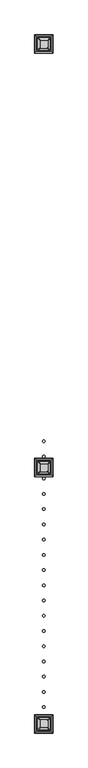
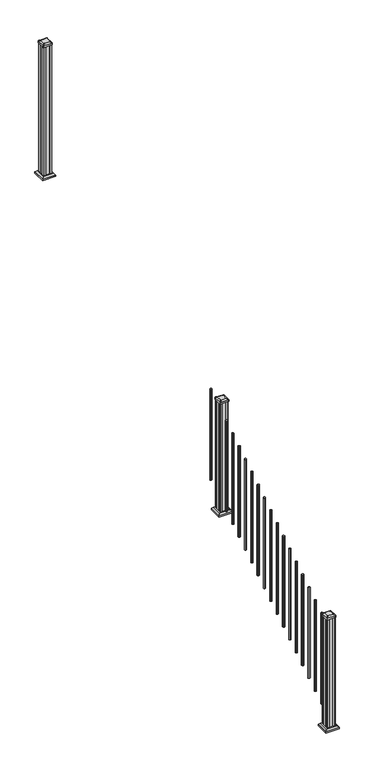
"""IFC4 building model written with IfcOpenShell, lengths in millimetres: railing geometry."""

from ifc_helpers import new_model, si_unit, point, frame, frame_2d, origin, place, context, project, spatial, polyline, circle_curve, trimmed, segment, composite_curve, outline, extrude, faceted_brep, source, transform, mapped, element, save
from ifc_brep_helpers import plane_surface, extruded_surface, advanced_brep


def railing_b5f708a4(model_context):
    return source(origin(), model_context, "Body", "SolidModel", [
        extrude(outline(composite_curve([segment(trimmed(circle_curve(frame_2d((8969.1942659, -14792.9319681)), 9.525), [point((8978.7192659, -14792.9319681))], [point((8969.1942659, -14802.4569681))], False, "CARTESIAN"), True, "CONTINUOUS"), segment(trimmed(circle_curve(frame_2d((8969.1942659, -14792.9319681)), 9.525), [point((8969.1942659, -14802.4569681))], [point((8959.6692659, -14792.9319681))], False, "CARTESIAN"), True, "CONTINUOUS"), segment(trimmed(circle_curve(frame_2d((8969.1942659, -14792.9319681)), 9.525), [point((8959.6692659, -14792.9319681))], [point((8969.1942659, -14783.4069681))], False, "CARTESIAN"), True, "CONTINUOUS"), segment(trimmed(circle_curve(frame_2d((8969.1942659, -14792.9319681)), 9.525), [point((8969.1942659, -14783.4069681))], [point((8978.7192659, -14792.9319681))], False, "CARTESIAN"), True, "CONTINUOUS")], self_intersect=False)), frame((0.0, 0.0, 1555.1505656), z_axis=(0.0, 0.0, 1.0), x_axis=(1.0, 0.0, 0.0)), (0.0, 0.0, 1.0), 965.2041219),
        extrude(outline(composite_curve([segment(trimmed(circle_curve(frame_2d((8969.1942659, -14904.0569681)), 9.525), [point((8978.7192659, -14904.0569681))], [point((8969.1942659, -14913.5819681))], False, "CARTESIAN"), True, "CONTINUOUS"), segment(trimmed(circle_curve(frame_2d((8969.1942659, -14904.0569681)), 9.525), [point((8969.1942659, -14913.5819681))], [point((8959.6692659, -14904.0569681))], False, "CARTESIAN"), True, "CONTINUOUS"), segment(trimmed(circle_curve(frame_2d((8969.1942659, -14904.0569681)), 9.525), [point((8959.6692659, -14904.0569681))], [point((8969.1942659, -14894.5319681))], False, "CARTESIAN"), True, "CONTINUOUS"), segment(trimmed(circle_curve(frame_2d((8969.1942659, -14904.0569681)), 9.525), [point((8969.1942659, -14894.5319681))], [point((8978.7192659, -14904.0569681))], False, "CARTESIAN"), True, "CONTINUOUS")], self_intersect=False)), frame((0.0, 0.0, 1485.6974406), z_axis=(0.0, 0.0, 1.0), x_axis=(1.0, 0.0, 0.0)), (0.0, 0.0, 1.0), 965.2041219),
        faceted_brep([(9021.7802034, -15037.6054056, 1362.075), (9021.7802034, -14932.4335306, 1362.075), (8916.6083284, -14932.4335306, 1362.075), (8916.6083284, -15037.6054056, 1362.075), (9035.8196565, -15051.6448587, 1348.74), (8902.5688753, -15051.6448587, 1348.74), (8902.5688753, -14918.3940775, 1348.74), (9035.8196565, -14918.3940775, 1348.74)], [[[0, 1, 2, 3]], [[4, 5, 6, 7]], [[4, 0, 3, 5]], [[5, 3, 2, 6]], [[6, 2, 1, 7]], [[7, 1, 0, 4]]]),
        extrude(outline(polyline([(9035.8196565, -15051.6448587), (8902.5688753, -15051.6448587), (8902.5688753, -14918.3940775), (9035.8196565, -14918.3940775), (9035.8196565, -15051.6448587)])), frame((0.0, 0.0, 1333.5), z_axis=(0.0, 0.0, 1.0), x_axis=(1.0, 0.0, 0.0)), (0.0, 0.0, 1.0), 15.24),
        advanced_brep(
        [(8943.3973909, -15013.9913431, 2545.839263), (8994.9911409, -15013.9913431, 2545.839263), (8998.1661409, -15010.8163431, 2545.839263), (8998.1661409, -14959.2225931, 2545.839263), (8994.9911409, -14956.0475931, 2545.839263), (8943.3973909, -14956.0475931, 2545.839263), (8940.2223909, -14959.2225931, 2545.839263), (8940.2223909, -15010.8163431, 2545.839263), (8927.1255159, -15030.2632181, 2534.536263), (8923.9505159, -15027.0882181, 2534.536263), (8923.9505159, -14942.9507181, 2534.536263), (8927.1255159, -14939.7757181, 2534.536263), (9011.2630159, -14939.7757181, 2534.536263), (9014.4380159, -14942.9507181, 2534.536263), (9014.4380159, -15027.0882181, 2534.536263), (9011.2630159, -15030.2632181, 2534.536263)],
        [
            (0, 1),
            (1, 2, circle_curve(frame((8994.9911409, -15010.8163431, 2545.839263), z_axis=(0.0, 0.0, 1.0), x_axis=(0.0, 1.0, 0.0)), 3.175)),
            (2, 3),
            (3, 4, circle_curve(frame((8994.9911409, -14959.2225931, 2545.839263), z_axis=(0.0, 0.0, 1.0), x_axis=(0.0, 1.0, 0.0)), 3.175)),
            (4, 5),
            (5, 6, circle_curve(frame((8943.3973909, -14959.2225931, 2545.839263), z_axis=(0.0, 0.0, 1.0), x_axis=(0.0, 1.0, 0.0)), 3.175)),
            (6, 7),
            (7, 0, circle_curve(frame((8943.3973909, -15010.8163431, 2545.839263), z_axis=(0.0, 0.0, 1.0), x_axis=(0.0, 1.0, 0.0)), 3.175)),
            (8, 9, circle_curve(frame((8927.1255159, -15027.0882181, 2534.536263), z_axis=(0.0, 0.0, -1.0), x_axis=(0.0, 1.0, 0.0)), 3.175)),
            (9, 10),
            (10, 11, circle_curve(frame((8927.1255159, -14942.9507181, 2534.536263), z_axis=(0.0, 0.0, -1.0), x_axis=(0.0, 1.0, 0.0)), 3.175)),
            (11, 12),
            (12, 13, circle_curve(frame((9011.2630159, -14942.9507181, 2534.536263), z_axis=(0.0, 0.0, -1.0), x_axis=(0.0, 1.0, 0.0)), 3.175)),
            (13, 14),
            (14, 15, circle_curve(frame((9011.2630159, -15027.0882181, 2534.536263), z_axis=(0.0, 0.0, -1.0), x_axis=(0.0, 1.0, 0.0)), 3.175)),
            (15, 8),
            (8, 0),
            (7, 9),
            (6, 10),
            (5, 11),
            (4, 12),
            (3, 13),
            (2, 14),
            (1, 15),
        ],
        [
            plane_surface(frame((8969.1942659, -14985.0194681, 2545.839263), z_axis=(0.0, 0.0, 1.0), x_axis=(-1.0, 0.0, 0.0))),
            plane_surface(frame((8969.1942659, -14985.0194681, 2534.536263), z_axis=(0.0, 0.0, -1.0), x_axis=(-1.0, 0.0, 0.0))),
            extruded_surface(trimmed(circle_curve(frame((8943.3973909, -15010.8163431, 2545.839263), z_axis=(0.0, 0.0, -1.0), x_axis=(0.0, 1.0, 0.0)), 3.175), [point((8943.3973909, -15013.9913431, 2545.839263))], [point((8940.2223909, -15010.8163431, 2545.839263))], True, "CARTESIAN"), (-16.271875000000364, -16.271875000000364, -11.302999999999884), 25.63797263886657),
            plane_surface(frame((8923.9505159, -14985.0194681, 2534.536263), z_axis=(-0.5705009161540778, 0.0, 0.8212969649690408), x_axis=(0.0, 1.0, 0.0))),
            extruded_surface(trimmed(circle_curve(frame((8943.3973909, -14959.2225931, 2545.839263), z_axis=(0.0, 0.0, -1.0), x_axis=(0.0, 1.0, 0.0)), 3.175), [point((8940.2223909, -14959.2225931, 2545.839263))], [point((8943.3973909, -14956.0475931, 2545.839263))], True, "CARTESIAN"), (-16.271875000000364, 16.271874999998545, -11.302999999999884), 25.63797263886542),
            plane_surface(frame((8969.1942659, -14939.7757181, 2534.536263), z_axis=(0.0, 0.5705009161540291, 0.8212969649690747), x_axis=(1.0, 0.0, 0.0))),
            extruded_surface(trimmed(circle_curve(frame((8994.9911409, -14959.2225931, 2545.839263), z_axis=(0.0, 0.0, -1.0), x_axis=(0.0, 1.0, 0.0)), 3.175), [point((8994.9911409, -14956.0475931, 2545.839263))], [point((8998.1661409, -14959.2225931, 2545.839263))], True, "CARTESIAN"), (16.271875000000364, 16.271874999998545, -11.302999999999884), 25.63797263886542),
            plane_surface(frame((9014.4380159, -14985.0194681, 2534.536263), z_axis=(0.5705009161540142, 0.0, 0.8212969649690851), x_axis=(0.0, -1.0, 0.0))),
            extruded_surface(trimmed(circle_curve(frame((8994.9911409, -15010.8163431, 2545.839263), z_axis=(0.0, 0.0, -1.0), x_axis=(0.0, 1.0, 0.0)), 3.175), [point((8998.1661409, -15010.8163431, 2545.839263))], [point((8994.9911409, -15013.9913431, 2545.839263))], True, "CARTESIAN"), (16.271875000000364, -16.271875000000364, -11.302999999999884), 25.63797263886657),
            plane_surface(frame((8969.1942659, -15030.2632181, 2534.536263), z_axis=(0.0, -0.570500916154034, 0.8212969649690713), x_axis=(-1.0, 0.0, 0.0))),
        ],
        [
            (0, [[1, 2, 3, 4, 5, 6, 7, 8]]),
            (1, [[9, 10, 11, 12, 13, 14, 15, 16]]),
            (2, [[17, -8, 18, -9]]),
            (3, [[-18, -7, 19, -10]]),
            (4, [[-19, -6, 20, -11]]),
            (5, [[-20, -5, 21, -12]]),
            (6, [[-21, -4, 22, -13]]),
            (7, [[-22, -3, 23, -14]]),
            (8, [[-23, -2, 24, -15]]),
            (9, [[-24, -1, -17, -16]]),
        ],
    ),
        extrude(outline(composite_curve([segment(trimmed(circle_curve(frame_2d((8927.1255159, -15027.0882181)), 3.175), [point((8927.1255159, -15030.2632181))], [point((8923.9505159, -15027.0882181))], False, "CARTESIAN"), True, "CONTINUOUS"), segment(polyline([(8923.9505159, -15027.0882181), (8923.9505159, -14942.9507181)]), True, "CONTINUOUS"), segment(trimmed(circle_curve(frame_2d((8927.1255159, -14942.9507181)), 3.175), [point((8923.9505159, -14942.9507181))], [point((8927.1255159, -14939.7757181))], False, "CARTESIAN"), True, "CONTINUOUS"), segment(polyline([(8927.1255159, -14939.7757181), (9011.2630159, -14939.7757181)]), True, "CONTINUOUS"), segment(trimmed(circle_curve(frame_2d((9011.2630159, -14942.9507181)), 3.175), [point((9011.2630159, -14939.7757181))], [point((9014.4380159, -14942.9507181))], False, "CARTESIAN"), True, "CONTINUOUS"), segment(polyline([(9014.4380159, -14942.9507181), (9014.4380159, -15027.0882181)]), True, "CONTINUOUS"), segment(trimmed(circle_curve(frame_2d((9011.2630159, -15027.0882181)), 3.175), [point((9014.4380159, -15027.0882181))], [point((9011.2630159, -15030.2632181))], False, "CARTESIAN"), True, "CONTINUOUS"), segment(polyline([(9011.2630159, -15030.2632181), (8927.1255159, -15030.2632181)]), True, "CONTINUOUS")], self_intersect=False)), frame((0.0, 0.0, 2517.264263), z_axis=(0.0, 0.0, 1.0), x_axis=(1.0, 0.0, 0.0)), (0.0, 0.0, 1.0), 17.272),
        extrude(outline(polyline([(8929.5067659, -15026.2944681), (8927.9192659, -15024.7069681), (8927.9192659, -15005.0854681), (8929.5067659, -15004.3234681), (8929.5067659, -14965.7154681), (8927.9192659, -14964.9534681), (8927.9192659, -14945.3319681), (8929.5067659, -14943.7444681), (8949.1282659, -14943.7444681), (8949.8902659, -14945.3319681), (8988.4982659, -14945.3319681), (8989.2602659, -14943.7444681), (9008.8817659, -14943.7444681), (9010.4692659, -14945.3319681), (9010.4692659, -14964.9534681), (9008.8817659, -14965.7154681), (9008.8817659, -15004.3234681), (9010.4692659, -15005.0854681), (9010.4692659, -15024.7069681), (9008.8817659, -15026.2944681), (8989.2602659, -15026.2944681), (8988.4982659, -15024.7069681), (8949.8902659, -15024.7069681), (8949.1282659, -15026.2944681), (8929.5067659, -15026.2944681)])), frame((0.0, 0.0, 1333.5), z_axis=(0.0, 0.0, 1.0), x_axis=(1.0, 0.0, 0.0)), (0.0, 0.0, 1.0), 1183.764263),
        extrude(outline(composite_curve([segment(trimmed(circle_curve(frame_2d((8969.1942659, -15065.9819681)), 9.525), [point((8978.7192659, -15065.9819681))], [point((8969.1942659, -15075.5069681))], False, "CARTESIAN"), True, "CONTINUOUS"), segment(trimmed(circle_curve(frame_2d((8969.1942659, -15065.9819681)), 9.525), [point((8969.1942659, -15075.5069681))], [point((8959.6692659, -15065.9819681))], False, "CARTESIAN"), True, "CONTINUOUS"), segment(trimmed(circle_curve(frame_2d((8969.1942659, -15065.9819681)), 9.525), [point((8959.6692659, -15065.9819681))], [point((8969.1942659, -15056.4569681))], False, "CARTESIAN"), True, "CONTINUOUS"), segment(trimmed(circle_curve(frame_2d((8969.1942659, -15065.9819681)), 9.525), [point((8969.1942659, -15056.4569681))], [point((8978.7192659, -15065.9819681))], False, "CARTESIAN"), True, "CONTINUOUS")], self_intersect=False)), frame((0.0, 0.0, 1384.4943156), z_axis=(0.0, 0.0, 1.0), x_axis=(1.0, 0.0, 0.0)), (0.0, 0.0, 1.0), 965.2041219),
        extrude(outline(composite_curve([segment(trimmed(circle_curve(frame_2d((8969.1942659, -15177.1069681)), 9.525), [point((8978.7192659, -15177.1069681))], [point((8969.1942659, -15186.6319681))], False, "CARTESIAN"), True, "CONTINUOUS"), segment(trimmed(circle_curve(frame_2d((8969.1942659, -15177.1069681)), 9.525), [point((8969.1942659, -15186.6319681))], [point((8959.6692659, -15177.1069681))], False, "CARTESIAN"), True, "CONTINUOUS"), segment(trimmed(circle_curve(frame_2d((8969.1942659, -15177.1069681)), 9.525), [point((8959.6692659, -15177.1069681))], [point((8969.1942659, -15167.5819681))], False, "CARTESIAN"), True, "CONTINUOUS"), segment(trimmed(circle_curve(frame_2d((8969.1942659, -15177.1069681)), 9.525), [point((8969.1942659, -15167.5819681))], [point((8978.7192659, -15177.1069681))], False, "CARTESIAN"), True, "CONTINUOUS")], self_intersect=False)), frame((0.0, 0.0, 1315.0411906), z_axis=(0.0, 0.0, 1.0), x_axis=(1.0, 0.0, 0.0)), (0.0, 0.0, 1.0), 965.2041219),
        extrude(outline(composite_curve([segment(trimmed(circle_curve(frame_2d((8969.1942659, -15288.2319681)), 9.525), [point((8978.7192659, -15288.2319681))], [point((8969.1942659, -15297.7569681))], False, "CARTESIAN"), True, "CONTINUOUS"), segment(trimmed(circle_curve(frame_2d((8969.1942659, -15288.2319681)), 9.525), [point((8969.1942659, -15297.7569681))], [point((8959.6692659, -15288.2319681))], False, "CARTESIAN"), True, "CONTINUOUS"), segment(trimmed(circle_curve(frame_2d((8969.1942659, -15288.2319681)), 9.525), [point((8959.6692659, -15288.2319681))], [point((8969.1942659, -15278.7069681))], False, "CARTESIAN"), True, "CONTINUOUS"), segment(trimmed(circle_curve(frame_2d((8969.1942659, -15288.2319681)), 9.525), [point((8969.1942659, -15278.7069681))], [point((8978.7192659, -15288.2319681))], False, "CARTESIAN"), True, "CONTINUOUS")], self_intersect=False)), frame((0.0, 0.0, 1245.5880656), z_axis=(0.0, 0.0, 1.0), x_axis=(1.0, 0.0, 0.0)), (0.0, 0.0, 1.0), 965.2041219),
        extrude(outline(composite_curve([segment(trimmed(circle_curve(frame_2d((8969.1942659, -15399.3569681)), 9.525), [point((8978.7192659, -15399.3569681))], [point((8969.1942659, -15408.8819681))], False, "CARTESIAN"), True, "CONTINUOUS"), segment(trimmed(circle_curve(frame_2d((8969.1942659, -15399.3569681)), 9.525), [point((8969.1942659, -15408.8819681))], [point((8959.6692659, -15399.3569681))], False, "CARTESIAN"), True, "CONTINUOUS"), segment(trimmed(circle_curve(frame_2d((8969.1942659, -15399.3569681)), 9.525), [point((8959.6692659, -15399.3569681))], [point((8969.1942659, -15389.8319681))], False, "CARTESIAN"), True, "CONTINUOUS"), segment(trimmed(circle_curve(frame_2d((8969.1942659, -15399.3569681)), 9.525), [point((8969.1942659, -15389.8319681))], [point((8978.7192659, -15399.3569681))], False, "CARTESIAN"), True, "CONTINUOUS")], self_intersect=False)), frame((0.0, 0.0, 1176.1349406), z_axis=(0.0, 0.0, 1.0), x_axis=(1.0, 0.0, 0.0)), (0.0, 0.0, 1.0), 965.2041219),
        extrude(outline(composite_curve([segment(trimmed(circle_curve(frame_2d((8969.1942659, -15510.4819681)), 9.525), [point((8978.7192659, -15510.4819681))], [point((8969.1942659, -15520.0069681))], False, "CARTESIAN"), True, "CONTINUOUS"), segment(trimmed(circle_curve(frame_2d((8969.1942659, -15510.4819681)), 9.525), [point((8969.1942659, -15520.0069681))], [point((8959.6692659, -15510.4819681))], False, "CARTESIAN"), True, "CONTINUOUS"), segment(trimmed(circle_curve(frame_2d((8969.1942659, -15510.4819681)), 9.525), [point((8959.6692659, -15510.4819681))], [point((8969.1942659, -15500.9569681))], False, "CARTESIAN"), True, "CONTINUOUS"), segment(trimmed(circle_curve(frame_2d((8969.1942659, -15510.4819681)), 9.525), [point((8969.1942659, -15500.9569681))], [point((8978.7192659, -15510.4819681))], False, "CARTESIAN"), True, "CONTINUOUS")], self_intersect=False)), frame((0.0, 0.0, 1106.6818156), z_axis=(0.0, 0.0, 1.0), x_axis=(1.0, 0.0, 0.0)), (0.0, 0.0, 1.0), 965.2041219),
        extrude(outline(composite_curve([segment(trimmed(circle_curve(frame_2d((8969.1942659, -15621.6069681)), 9.525), [point((8978.7192659, -15621.6069681))], [point((8969.1942659, -15631.1319681))], False, "CARTESIAN"), True, "CONTINUOUS"), segment(trimmed(circle_curve(frame_2d((8969.1942659, -15621.6069681)), 9.525), [point((8969.1942659, -15631.1319681))], [point((8959.6692659, -15621.6069681))], False, "CARTESIAN"), True, "CONTINUOUS"), segment(trimmed(circle_curve(frame_2d((8969.1942659, -15621.6069681)), 9.525), [point((8959.6692659, -15621.6069681))], [point((8969.1942659, -15612.0819681))], False, "CARTESIAN"), True, "CONTINUOUS"), segment(trimmed(circle_curve(frame_2d((8969.1942659, -15621.6069681)), 9.525), [point((8969.1942659, -15612.0819681))], [point((8978.7192659, -15621.6069681))], False, "CARTESIAN"), True, "CONTINUOUS")], self_intersect=False)), frame((0.0, 0.0, 1037.2286906), z_axis=(0.0, 0.0, 1.0), x_axis=(1.0, 0.0, 0.0)), (0.0, 0.0, 1.0), 965.2041219),
        extrude(outline(composite_curve([segment(trimmed(circle_curve(frame_2d((8969.1942659, -15732.7319681)), 9.525), [point((8978.7192659, -15732.7319681))], [point((8969.1942659, -15742.2569681))], False, "CARTESIAN"), True, "CONTINUOUS"), segment(trimmed(circle_curve(frame_2d((8969.1942659, -15732.7319681)), 9.525), [point((8969.1942659, -15742.2569681))], [point((8959.6692659, -15732.7319681))], False, "CARTESIAN"), True, "CONTINUOUS"), segment(trimmed(circle_curve(frame_2d((8969.1942659, -15732.7319681)), 9.525), [point((8959.6692659, -15732.7319681))], [point((8969.1942659, -15723.2069681))], False, "CARTESIAN"), True, "CONTINUOUS"), segment(trimmed(circle_curve(frame_2d((8969.1942659, -15732.7319681)), 9.525), [point((8969.1942659, -15723.2069681))], [point((8978.7192659, -15732.7319681))], False, "CARTESIAN"), True, "CONTINUOUS")], self_intersect=False)), frame((0.0, 0.0, 967.7755656), z_axis=(0.0, 0.0, 1.0), x_axis=(1.0, 0.0, 0.0)), (0.0, 0.0, 1.0), 965.2041219),
        extrude(outline(composite_curve([segment(trimmed(circle_curve(frame_2d((8969.1942659, -15843.8569681)), 9.525), [point((8978.7192659, -15843.8569681))], [point((8969.1942659, -15853.3819681))], False, "CARTESIAN"), True, "CONTINUOUS"), segment(trimmed(circle_curve(frame_2d((8969.1942659, -15843.8569681)), 9.525), [point((8969.1942659, -15853.3819681))], [point((8959.6692659, -15843.8569681))], False, "CARTESIAN"), True, "CONTINUOUS"), segment(trimmed(circle_curve(frame_2d((8969.1942659, -15843.8569681)), 9.525), [point((8959.6692659, -15843.8569681))], [point((8969.1942659, -15834.3319681))], False, "CARTESIAN"), True, "CONTINUOUS"), segment(trimmed(circle_curve(frame_2d((8969.1942659, -15843.8569681)), 9.525), [point((8969.1942659, -15834.3319681))], [point((8978.7192659, -15843.8569681))], False, "CARTESIAN"), True, "CONTINUOUS")], self_intersect=False)), frame((0.0, 0.0, 898.3224406), z_axis=(0.0, 0.0, 1.0), x_axis=(1.0, 0.0, 0.0)), (0.0, 0.0, 1.0), 965.2041219),
        extrude(outline(composite_curve([segment(trimmed(circle_curve(frame_2d((8969.1942659, -15954.9819681)), 9.525), [point((8978.7192659, -15954.9819681))], [point((8969.1942659, -15964.5069681))], False, "CARTESIAN"), True, "CONTINUOUS"), segment(trimmed(circle_curve(frame_2d((8969.1942659, -15954.9819681)), 9.525), [point((8969.1942659, -15964.5069681))], [point((8959.6692659, -15954.9819681))], False, "CARTESIAN"), True, "CONTINUOUS"), segment(trimmed(circle_curve(frame_2d((8969.1942659, -15954.9819681)), 9.525), [point((8959.6692659, -15954.9819681))], [point((8969.1942659, -15945.4569681))], False, "CARTESIAN"), True, "CONTINUOUS"), segment(trimmed(circle_curve(frame_2d((8969.1942659, -15954.9819681)), 9.525), [point((8969.1942659, -15945.4569681))], [point((8978.7192659, -15954.9819681))], False, "CARTESIAN"), True, "CONTINUOUS")], self_intersect=False)), frame((0.0, 0.0, 828.8693156), z_axis=(0.0, 0.0, 1.0), x_axis=(1.0, 0.0, 0.0)), (0.0, 0.0, 1.0), 965.2041219),
        extrude(outline(composite_curve([segment(trimmed(circle_curve(frame_2d((8969.1942659, -16066.1069681)), 9.525), [point((8978.7192659, -16066.1069681))], [point((8969.1942659, -16075.6319681))], False, "CARTESIAN"), True, "CONTINUOUS"), segment(trimmed(circle_curve(frame_2d((8969.1942659, -16066.1069681)), 9.525), [point((8969.1942659, -16075.6319681))], [point((8959.6692659, -16066.1069681))], False, "CARTESIAN"), True, "CONTINUOUS"), segment(trimmed(circle_curve(frame_2d((8969.1942659, -16066.1069681)), 9.525), [point((8959.6692659, -16066.1069681))], [point((8969.1942659, -16056.5819681))], False, "CARTESIAN"), True, "CONTINUOUS"), segment(trimmed(circle_curve(frame_2d((8969.1942659, -16066.1069681)), 9.525), [point((8969.1942659, -16056.5819681))], [point((8978.7192659, -16066.1069681))], False, "CARTESIAN"), True, "CONTINUOUS")], self_intersect=False)), frame((0.0, 0.0, 759.4161906), z_axis=(0.0, 0.0, 1.0), x_axis=(1.0, 0.0, 0.0)), (0.0, 0.0, 1.0), 965.2041219),
        extrude(outline(composite_curve([segment(trimmed(circle_curve(frame_2d((8969.1942659, -16177.2319681)), 9.525), [point((8978.7192659, -16177.2319681))], [point((8969.1942659, -16186.7569681))], False, "CARTESIAN"), True, "CONTINUOUS"), segment(trimmed(circle_curve(frame_2d((8969.1942659, -16177.2319681)), 9.525), [point((8969.1942659, -16186.7569681))], [point((8959.6692659, -16177.2319681))], False, "CARTESIAN"), True, "CONTINUOUS"), segment(trimmed(circle_curve(frame_2d((8969.1942659, -16177.2319681)), 9.525), [point((8959.6692659, -16177.2319681))], [point((8969.1942659, -16167.7069681))], False, "CARTESIAN"), True, "CONTINUOUS"), segment(trimmed(circle_curve(frame_2d((8969.1942659, -16177.2319681)), 9.525), [point((8969.1942659, -16167.7069681))], [point((8978.7192659, -16177.2319681))], False, "CARTESIAN"), True, "CONTINUOUS")], self_intersect=False)), frame((0.0, 0.0, 689.9630656), z_axis=(0.0, 0.0, 1.0), x_axis=(1.0, 0.0, 0.0)), (0.0, 0.0, 1.0), 965.2041219),
        extrude(outline(composite_curve([segment(trimmed(circle_curve(frame_2d((8969.1942659, -16288.3569681)), 9.525), [point((8978.7192659, -16288.3569681))], [point((8969.1942659, -16297.8819681))], False, "CARTESIAN"), True, "CONTINUOUS"), segment(trimmed(circle_curve(frame_2d((8969.1942659, -16288.3569681)), 9.525), [point((8969.1942659, -16297.8819681))], [point((8959.6692659, -16288.3569681))], False, "CARTESIAN"), True, "CONTINUOUS"), segment(trimmed(circle_curve(frame_2d((8969.1942659, -16288.3569681)), 9.525), [point((8959.6692659, -16288.3569681))], [point((8969.1942659, -16278.8319681))], False, "CARTESIAN"), True, "CONTINUOUS"), segment(trimmed(circle_curve(frame_2d((8969.1942659, -16288.3569681)), 9.525), [point((8969.1942659, -16278.8319681))], [point((8978.7192659, -16288.3569681))], False, "CARTESIAN"), True, "CONTINUOUS")], self_intersect=False)), frame((0.0, 0.0, 620.5099406), z_axis=(0.0, 0.0, 1.0), x_axis=(1.0, 0.0, 0.0)), (0.0, 0.0, 1.0), 965.2041219),
        extrude(outline(composite_curve([segment(trimmed(circle_curve(frame_2d((8969.1942659, -16399.4819681)), 9.525), [point((8978.7192659, -16399.4819681))], [point((8969.1942659, -16409.0069681))], False, "CARTESIAN"), True, "CONTINUOUS"), segment(trimmed(circle_curve(frame_2d((8969.1942659, -16399.4819681)), 9.525), [point((8969.1942659, -16409.0069681))], [point((8959.6692659, -16399.4819681))], False, "CARTESIAN"), True, "CONTINUOUS"), segment(trimmed(circle_curve(frame_2d((8969.1942659, -16399.4819681)), 9.525), [point((8959.6692659, -16399.4819681))], [point((8969.1942659, -16389.9569681))], False, "CARTESIAN"), True, "CONTINUOUS"), segment(trimmed(circle_curve(frame_2d((8969.1942659, -16399.4819681)), 9.525), [point((8969.1942659, -16389.9569681))], [point((8978.7192659, -16399.4819681))], False, "CARTESIAN"), True, "CONTINUOUS")], self_intersect=False)), frame((0.0, 0.0, 551.0568156), z_axis=(0.0, 0.0, 1.0), x_axis=(1.0, 0.0, 0.0)), (0.0, 0.0, 1.0), 965.2041219),
        extrude(outline(composite_curve([segment(trimmed(circle_curve(frame_2d((8969.1942659, -16510.6069681)), 9.525), [point((8978.7192659, -16510.6069681))], [point((8969.1942659, -16520.1319681))], False, "CARTESIAN"), True, "CONTINUOUS"), segment(trimmed(circle_curve(frame_2d((8969.1942659, -16510.6069681)), 9.525), [point((8969.1942659, -16520.1319681))], [point((8959.6692659, -16510.6069681))], False, "CARTESIAN"), True, "CONTINUOUS"), segment(trimmed(circle_curve(frame_2d((8969.1942659, -16510.6069681)), 9.525), [point((8959.6692659, -16510.6069681))], [point((8969.1942659, -16501.0819681))], False, "CARTESIAN"), True, "CONTINUOUS"), segment(trimmed(circle_curve(frame_2d((8969.1942659, -16510.6069681)), 9.525), [point((8969.1942659, -16501.0819681))], [point((8978.7192659, -16510.6069681))], False, "CARTESIAN"), True, "CONTINUOUS")], self_intersect=False)), frame((0.0, 0.0, 481.6036906), z_axis=(0.0, 0.0, 1.0), x_axis=(1.0, 0.0, 0.0)), (0.0, 0.0, 1.0), 965.2041219),
        extrude(outline(composite_curve([segment(trimmed(circle_curve(frame_2d((8969.1942659, -16621.7319681)), 9.525), [point((8978.7192659, -16621.7319681))], [point((8969.1942659, -16631.2569681))], False, "CARTESIAN"), True, "CONTINUOUS"), segment(trimmed(circle_curve(frame_2d((8969.1942659, -16621.7319681)), 9.525), [point((8969.1942659, -16631.2569681))], [point((8959.6692659, -16621.7319681))], False, "CARTESIAN"), True, "CONTINUOUS"), segment(trimmed(circle_curve(frame_2d((8969.1942659, -16621.7319681)), 9.525), [point((8959.6692659, -16621.7319681))], [point((8969.1942659, -16612.2069681))], False, "CARTESIAN"), True, "CONTINUOUS"), segment(trimmed(circle_curve(frame_2d((8969.1942659, -16621.7319681)), 9.525), [point((8969.1942659, -16612.2069681))], [point((8978.7192659, -16621.7319681))], False, "CARTESIAN"), True, "CONTINUOUS")], self_intersect=False)), frame((0.0, 0.0, 412.1505656), z_axis=(0.0, 0.0, 1.0), x_axis=(1.0, 0.0, 0.0)), (0.0, 0.0, 1.0), 965.2041219),
        extrude(outline(composite_curve([segment(trimmed(circle_curve(frame_2d((8969.1942659, -16732.8569681)), 9.525), [point((8978.7192659, -16732.8569681))], [point((8969.1942659, -16742.3819681))], False, "CARTESIAN"), True, "CONTINUOUS"), segment(trimmed(circle_curve(frame_2d((8969.1942659, -16732.8569681)), 9.525), [point((8969.1942659, -16742.3819681))], [point((8959.6692659, -16732.8569681))], False, "CARTESIAN"), True, "CONTINUOUS"), segment(trimmed(circle_curve(frame_2d((8969.1942659, -16732.8569681)), 9.525), [point((8959.6692659, -16732.8569681))], [point((8969.1942659, -16723.3319681))], False, "CARTESIAN"), True, "CONTINUOUS"), segment(trimmed(circle_curve(frame_2d((8969.1942659, -16732.8569681)), 9.525), [point((8969.1942659, -16723.3319681))], [point((8978.7192659, -16732.8569681))], False, "CARTESIAN"), True, "CONTINUOUS")], self_intersect=False)), frame((0.0, 0.0, 342.6974406), z_axis=(0.0, 0.0, 1.0), x_axis=(1.0, 0.0, 0.0)), (0.0, 0.0, 1.0), 965.2041219),
        extrude(outline(polyline([(8929.5067659, -11937.0194681), (8927.9192659, -11935.4319681), (8927.9192659, -11915.8104681), (8929.5067659, -11915.0484681), (8929.5067659, -11876.4404681), (8927.9192659, -11875.6784681), (8927.9192659, -11856.0569681), (8929.5067659, -11854.4694681), (8949.1282659, -11854.4694681), (8949.8902659, -11856.0569681), (8988.4982659, -11856.0569681), (8989.2602659, -11854.4694681), (9008.8817659, -11854.4694681), (9010.4692659, -11856.0569681), (9010.4692659, -11875.6784681), (9008.8817659, -11876.4404681), (9008.8817659, -11915.0484681), (9010.4692659, -11915.8104681), (9010.4692659, -11935.4319681), (9008.8817659, -11937.0194681), (8989.2602659, -11937.0194681), (8988.4982659, -11935.4319681), (8949.8902659, -11935.4319681), (8949.1282659, -11937.0194681), (8929.5067659, -11937.0194681)])), frame((0.0, 0.0, 3048.0), z_axis=(0.0, 0.0, 1.0), x_axis=(1.0, 0.0, 0.0)), (0.0, 0.0, 1.0), 1400.061138),
        faceted_brep([(9021.7802034, -11948.3304056, 3076.575), (9021.7802034, -11843.1585306, 3076.575), (8916.6083284, -11843.1585306, 3076.575), (8916.6083284, -11948.3304056, 3076.575), (9035.8196565, -11962.3698587, 3063.24), (8902.5688753, -11962.3698587, 3063.24), (8902.5688753, -11829.1190775, 3063.24), (9035.8196565, -11829.1190775, 3063.24)], [[[0, 1, 2, 3]], [[4, 5, 6, 7]], [[4, 0, 3, 5]], [[5, 3, 2, 6]], [[6, 2, 1, 7]], [[7, 1, 0, 4]]]),
        extrude(outline(polyline([(9035.8196565, -11962.3698587), (8902.5688753, -11962.3698587), (8902.5688753, -11829.1190775), (9035.8196565, -11829.1190775), (9035.8196565, -11962.3698587)])), frame((0.0, 0.0, 3048.0), z_axis=(0.0, 0.0, 1.0), x_axis=(1.0, 0.0, 0.0)), (0.0, 0.0, 1.0), 15.24),
        advanced_brep(
        [(8943.3973909, -11924.7163431, 4476.636138), (8994.9911409, -11924.7163431, 4476.636138), (8998.1661409, -11921.5413431, 4476.636138), (8998.1661409, -11869.9475931, 4476.636138), (8994.9911409, -11866.7725931, 4476.636138), (8943.3973909, -11866.7725931, 4476.636138), (8940.2223909, -11869.9475931, 4476.636138), (8940.2223909, -11921.5413431, 4476.636138), (8927.1255159, -11940.9882181, 4465.333138), (8923.9505159, -11937.8132181, 4465.333138), (8923.9505159, -11853.6757181, 4465.333138), (8927.1255159, -11850.5007181, 4465.333138), (9011.2630159, -11850.5007181, 4465.333138), (9014.4380159, -11853.6757181, 4465.333138), (9014.4380159, -11937.8132181, 4465.333138), (9011.2630159, -11940.9882181, 4465.333138)],
        [
            (0, 1),
            (1, 2, circle_curve(frame((8994.9911409, -11921.5413431, 4476.636138), z_axis=(0.0, 0.0, 1.0), x_axis=(0.0, 1.0, 0.0)), 3.175)),
            (2, 3),
            (3, 4, circle_curve(frame((8994.9911409, -11869.9475931, 4476.636138), z_axis=(0.0, 0.0, 1.0), x_axis=(0.0, 1.0, 0.0)), 3.175)),
            (4, 5),
            (5, 6, circle_curve(frame((8943.3973909, -11869.9475931, 4476.636138), z_axis=(0.0, 0.0, 1.0), x_axis=(0.0, 1.0, 0.0)), 3.175)),
            (6, 7),
            (7, 0, circle_curve(frame((8943.3973909, -11921.5413431, 4476.636138), z_axis=(0.0, 0.0, 1.0), x_axis=(0.0, 1.0, 0.0)), 3.175)),
            (8, 9, circle_curve(frame((8927.1255159, -11937.8132181, 4465.333138), z_axis=(0.0, 0.0, -1.0), x_axis=(0.0, 1.0, 0.0)), 3.175)),
            (9, 10),
            (10, 11, circle_curve(frame((8927.1255159, -11853.6757181, 4465.333138), z_axis=(0.0, 0.0, -1.0), x_axis=(0.0, 1.0, 0.0)), 3.175)),
            (11, 12),
            (12, 13, circle_curve(frame((9011.2630159, -11853.6757181, 4465.333138), z_axis=(0.0, 0.0, -1.0), x_axis=(0.0, 1.0, 0.0)), 3.175)),
            (13, 14),
            (14, 15, circle_curve(frame((9011.2630159, -11937.8132181, 4465.333138), z_axis=(0.0, 0.0, -1.0), x_axis=(0.0, 1.0, 0.0)), 3.175)),
            (15, 8),
            (8, 0),
            (7, 9),
            (6, 10),
            (5, 11),
            (4, 12),
            (3, 13),
            (2, 14),
            (1, 15),
        ],
        [
            plane_surface(frame((8969.1942659, -11895.7444681, 4476.636138), z_axis=(0.0, 0.0, 1.0), x_axis=(-1.0, 0.0, 0.0))),
            plane_surface(frame((8969.1942659, -11895.7444681, 4465.333138), z_axis=(0.0, 0.0, -1.0), x_axis=(-1.0, 0.0, 0.0))),
            extruded_surface(trimmed(circle_curve(frame((8943.3973909, -11921.5413431, 4476.636138), z_axis=(0.0, 0.0, -1.0), x_axis=(0.0, 1.0, 0.0)), 3.175), [point((8943.3973909, -11924.7163431, 4476.636138))], [point((8940.2223909, -11921.5413431, 4476.636138))], True, "CARTESIAN"), (-16.271875000000364, -16.271875000000364, -11.302999999999884), 25.63797263886657),
            plane_surface(frame((8923.9505159, -11895.7444681, 4465.333138), z_axis=(-0.5705009161540685, 0.0, 0.8212969649690474), x_axis=(0.0, 1.0, 0.0))),
            extruded_surface(trimmed(circle_curve(frame((8943.3973909, -11869.9475931, 4476.636138), z_axis=(0.0, 0.0, -1.0), x_axis=(0.0, 1.0, 0.0)), 3.175), [point((8940.2223909, -11869.9475931, 4476.636138))], [point((8943.3973909, -11866.7725931, 4476.636138))], True, "CARTESIAN"), (-16.271875000000364, 16.271875000000364, -11.302999999999884), 25.63797263886657),
            plane_surface(frame((8969.1942659, -11850.5007181, 4465.333138), z_axis=(0.0, 0.5705009161540291, 0.8212969649690747), x_axis=(1.0, 0.0, 0.0))),
            extruded_surface(trimmed(circle_curve(frame((8994.9911409, -11869.9475931, 4476.636138), z_axis=(0.0, 0.0, -1.0), x_axis=(0.0, 1.0, 0.0)), 3.175), [point((8994.9911409, -11866.7725931, 4476.636138))], [point((8998.1661409, -11869.9475931, 4476.636138))], True, "CARTESIAN"), (16.271875000000364, 16.271875000000364, -11.302999999999884), 25.63797263886657),
            plane_surface(frame((9014.4380159, -11895.7444681, 4465.333138), z_axis=(0.5705009161540235, 0.0, 0.8212969649690786), x_axis=(0.0, -1.0, 0.0))),
            extruded_surface(trimmed(circle_curve(frame((8994.9911409, -11921.5413431, 4476.636138), z_axis=(0.0, 0.0, -1.0), x_axis=(0.0, 1.0, 0.0)), 3.175), [point((8998.1661409, -11921.5413431, 4476.636138))], [point((8994.9911409, -11924.7163431, 4476.636138))], True, "CARTESIAN"), (16.271875000000364, -16.271875000000364, -11.302999999999884), 25.63797263886657),
            plane_surface(frame((8969.1942659, -11940.9882181, 4465.333138), z_axis=(0.0, -0.570500916154034, 0.8212969649690713), x_axis=(-1.0, 0.0, 0.0))),
        ],
        [
            (0, [[1, 2, 3, 4, 5, 6, 7, 8]]),
            (1, [[9, 10, 11, 12, 13, 14, 15, 16]]),
            (2, [[17, -8, 18, -9]]),
            (3, [[-18, -7, 19, -10]]),
            (4, [[-19, -6, 20, -11]]),
            (5, [[-20, -5, 21, -12]]),
            (6, [[-21, -4, 22, -13]]),
            (7, [[-22, -3, 23, -14]]),
            (8, [[-23, -2, 24, -15]]),
            (9, [[-24, -1, -17, -16]]),
        ],
    ),
        extrude(outline(composite_curve([segment(trimmed(circle_curve(frame_2d((8927.1255159, -11937.8132181)), 3.175), [point((8927.1255159, -11940.9882181))], [point((8923.9505159, -11937.8132181))], False, "CARTESIAN"), True, "CONTINUOUS"), segment(polyline([(8923.9505159, -11937.8132181), (8923.9505159, -11853.6757181)]), True, "CONTINUOUS"), segment(trimmed(circle_curve(frame_2d((8927.1255159, -11853.6757181)), 3.175), [point((8923.9505159, -11853.6757181))], [point((8927.1255159, -11850.5007181))], False, "CARTESIAN"), True, "CONTINUOUS"), segment(polyline([(8927.1255159, -11850.5007181), (9011.2630159, -11850.5007181)]), True, "CONTINUOUS"), segment(trimmed(circle_curve(frame_2d((9011.2630159, -11853.6757181)), 3.175), [point((9011.2630159, -11850.5007181))], [point((9014.4380159, -11853.6757181))], False, "CARTESIAN"), True, "CONTINUOUS"), segment(polyline([(9014.4380159, -11853.6757181), (9014.4380159, -11937.8132181)]), True, "CONTINUOUS"), segment(trimmed(circle_curve(frame_2d((9011.2630159, -11937.8132181)), 3.175), [point((9014.4380159, -11937.8132181))], [point((9011.2630159, -11940.9882181))], False, "CARTESIAN"), True, "CONTINUOUS"), segment(polyline([(9011.2630159, -11940.9882181), (8927.1255159, -11940.9882181)]), True, "CONTINUOUS")], self_intersect=False)), frame((0.0, 0.0, 4448.061138), z_axis=(0.0, 0.0, 1.0), x_axis=(1.0, 0.0, 0.0)), (0.0, 0.0, 1.0), 17.272),
        faceted_brep([(9021.7802034, -16907.6804056, 193.278125), (9021.7802034, -16802.5085306, 193.278125), (8916.6083284, -16802.5085306, 193.278125), (8916.6083284, -16907.6804056, 193.278125), (9035.8196565, -16921.7198587, 179.943125), (8902.5688753, -16921.7198587, 179.943125), (8902.5688753, -16788.4690775, 179.943125), (9035.8196565, -16788.4690775, 179.943125)], [[[0, 1, 2, 3]], [[4, 5, 6, 7]], [[4, 0, 3, 5]], [[5, 3, 2, 6]], [[6, 2, 1, 7]], [[7, 1, 0, 4]]]),
        extrude(outline(polyline([(9035.8196565, -16921.7198587), (8902.5688753, -16921.7198587), (8902.5688753, -16788.4690775), (9035.8196565, -16788.4690775), (9035.8196565, -16921.7198587)])), frame((0.0, 0.0, 164.703125), z_axis=(0.0, 0.0, 1.0), x_axis=(1.0, 0.0, 0.0)), (0.0, 0.0, 1.0), 15.24),
        advanced_brep(
        [(8943.3973909, -16884.0663431, 1377.042388), (8994.9911409, -16884.0663431, 1377.042388), (8998.1661409, -16880.8913431, 1377.042388), (8998.1661409, -16829.2975931, 1377.042388), (8994.9911409, -16826.1225931, 1377.042388), (8943.3973909, -16826.1225931, 1377.042388), (8940.2223909, -16829.2975931, 1377.042388), (8940.2223909, -16880.8913431, 1377.042388), (8927.1255159, -16900.3382181, 1365.739388), (8923.9505159, -16897.1632181, 1365.739388), (8923.9505159, -16813.0257181, 1365.739388), (8927.1255159, -16809.8507181, 1365.739388), (9011.2630159, -16809.8507181, 1365.739388), (9014.4380159, -16813.0257181, 1365.739388), (9014.4380159, -16897.1632181, 1365.739388), (9011.2630159, -16900.3382181, 1365.739388)],
        [
            (0, 1),
            (1, 2, circle_curve(frame((8994.9911409, -16880.8913431, 1377.042388), z_axis=(0.0, 0.0, 1.0), x_axis=(0.0, 1.0, 0.0)), 3.175)),
            (2, 3),
            (3, 4, circle_curve(frame((8994.9911409, -16829.2975931, 1377.042388), z_axis=(0.0, 0.0, 1.0), x_axis=(0.0, 1.0, 0.0)), 3.175)),
            (4, 5),
            (5, 6, circle_curve(frame((8943.3973909, -16829.2975931, 1377.042388), z_axis=(0.0, 0.0, 1.0), x_axis=(0.0, 1.0, 0.0)), 3.175)),
            (6, 7),
            (7, 0, circle_curve(frame((8943.3973909, -16880.8913431, 1377.042388), z_axis=(0.0, 0.0, 1.0), x_axis=(0.0, 1.0, 0.0)), 3.175)),
            (8, 9, circle_curve(frame((8927.1255159, -16897.1632181, 1365.739388), z_axis=(0.0, 0.0, -1.0), x_axis=(0.0, 1.0, 0.0)), 3.175)),
            (9, 10),
            (10, 11, circle_curve(frame((8927.1255159, -16813.0257181, 1365.739388), z_axis=(0.0, 0.0, -1.0), x_axis=(0.0, 1.0, 0.0)), 3.175)),
            (11, 12),
            (12, 13, circle_curve(frame((9011.2630159, -16813.0257181, 1365.739388), z_axis=(0.0, 0.0, -1.0), x_axis=(0.0, 1.0, 0.0)), 3.175)),
            (13, 14),
            (14, 15, circle_curve(frame((9011.2630159, -16897.1632181, 1365.739388), z_axis=(0.0, 0.0, -1.0), x_axis=(0.0, 1.0, 0.0)), 3.175)),
            (15, 8),
            (8, 0),
            (7, 9),
            (6, 10),
            (5, 11),
            (4, 12),
            (3, 13),
            (2, 14),
            (1, 15),
        ],
        [
            plane_surface(frame((8969.1942659, -16855.0944681, 1377.042388), z_axis=(0.0, 0.0, 1.0), x_axis=(-1.0, 0.0, 0.0))),
            plane_surface(frame((8969.1942659, -16855.0944681, 1365.739388), z_axis=(0.0, 0.0, -1.0), x_axis=(-1.0, 0.0, 0.0))),
            extruded_surface(trimmed(circle_curve(frame((8943.3973909, -16880.8913431, 1377.042388), z_axis=(0.0, 0.0, -1.0), x_axis=(0.0, 1.0, 0.0)), 3.175), [point((8943.3973909, -16884.0663431, 1377.042388))], [point((8940.2223909, -16880.8913431, 1377.042388))], True, "CARTESIAN"), (-16.271875000000364, -16.271874999998545, -11.303000000000111), 25.63797263886552),
            plane_surface(frame((8923.9505159, -16855.0944681, 1365.739388), z_axis=(-0.5705009161540778, 0.0, 0.8212969649690408), x_axis=(0.0, 1.0, 0.0))),
            extruded_surface(trimmed(circle_curve(frame((8943.3973909, -16829.2975931, 1377.042388), z_axis=(0.0, 0.0, -1.0), x_axis=(0.0, 1.0, 0.0)), 3.175), [point((8940.2223909, -16829.2975931, 1377.042388))], [point((8943.3973909, -16826.1225931, 1377.042388))], True, "CARTESIAN"), (-16.271875000000364, 16.271874999998545, -11.303000000000111), 25.63797263886552),
            plane_surface(frame((8969.1942659, -16809.8507181, 1365.739388), z_axis=(0.0, 0.5705009161540291, 0.8212969649690747), x_axis=(1.0, 0.0, 0.0))),
            extruded_surface(trimmed(circle_curve(frame((8994.9911409, -16829.2975931, 1377.042388), z_axis=(0.0, 0.0, -1.0), x_axis=(0.0, 1.0, 0.0)), 3.175), [point((8994.9911409, -16826.1225931, 1377.042388))], [point((8998.1661409, -16829.2975931, 1377.042388))], True, "CARTESIAN"), (16.271875000000364, 16.271874999998545, -11.303000000000111), 25.63797263886552),
            plane_surface(frame((9014.4380159, -16855.0944681, 1365.739388), z_axis=(0.5705009161540142, 0.0, 0.8212969649690851), x_axis=(0.0, -1.0, 0.0))),
            extruded_surface(trimmed(circle_curve(frame((8994.9911409, -16880.8913431, 1377.042388), z_axis=(0.0, 0.0, -1.0), x_axis=(0.0, 1.0, 0.0)), 3.175), [point((8998.1661409, -16880.8913431, 1377.042388))], [point((8994.9911409, -16884.0663431, 1377.042388))], True, "CARTESIAN"), (16.271875000000364, -16.271874999998545, -11.303000000000111), 25.63797263886552),
            plane_surface(frame((8969.1942659, -16900.3382181, 1365.739388), z_axis=(0.0, -0.570500916154034, 0.8212969649690713), x_axis=(-1.0, 0.0, 0.0))),
        ],
        [
            (0, [[1, 2, 3, 4, 5, 6, 7, 8]]),
            (1, [[9, 10, 11, 12, 13, 14, 15, 16]]),
            (2, [[17, -8, 18, -9]]),
            (3, [[-18, -7, 19, -10]]),
            (4, [[-19, -6, 20, -11]]),
            (5, [[-20, -5, 21, -12]]),
            (6, [[-21, -4, 22, -13]]),
            (7, [[-22, -3, 23, -14]]),
            (8, [[-23, -2, 24, -15]]),
            (9, [[-24, -1, -17, -16]]),
        ],
    ),
        extrude(outline(composite_curve([segment(trimmed(circle_curve(frame_2d((8927.1255159, -16897.1632181)), 3.175), [point((8927.1255159, -16900.3382181))], [point((8923.9505159, -16897.1632181))], False, "CARTESIAN"), True, "CONTINUOUS"), segment(polyline([(8923.9505159, -16897.1632181), (8923.9505159, -16813.0257181)]), True, "CONTINUOUS"), segment(trimmed(circle_curve(frame_2d((8927.1255159, -16813.0257181)), 3.175), [point((8923.9505159, -16813.0257181))], [point((8927.1255159, -16809.8507181))], False, "CARTESIAN"), True, "CONTINUOUS"), segment(polyline([(8927.1255159, -16809.8507181), (9011.2630159, -16809.8507181)]), True, "CONTINUOUS"), segment(trimmed(circle_curve(frame_2d((9011.2630159, -16813.0257181)), 3.175), [point((9011.2630159, -16809.8507181))], [point((9014.4380159, -16813.0257181))], False, "CARTESIAN"), True, "CONTINUOUS"), segment(polyline([(9014.4380159, -16813.0257181), (9014.4380159, -16897.1632181)]), True, "CONTINUOUS"), segment(trimmed(circle_curve(frame_2d((9011.2630159, -16897.1632181)), 3.175), [point((9014.4380159, -16897.1632181))], [point((9011.2630159, -16900.3382181))], False, "CARTESIAN"), True, "CONTINUOUS"), segment(polyline([(9011.2630159, -16900.3382181), (8927.1255159, -16900.3382181)]), True, "CONTINUOUS")], self_intersect=False)), frame((0.0, 0.0, 1348.467388), z_axis=(0.0, 0.0, 1.0), x_axis=(1.0, 0.0, 0.0)), (0.0, 0.0, 1.0), 17.272),
        extrude(outline(polyline([(8929.5067659, -16896.3694681), (8927.9192659, -16894.7819681), (8927.9192659, -16875.1604681), (8929.5067659, -16874.3984681), (8929.5067659, -16835.7904681), (8927.9192659, -16835.0284681), (8927.9192659, -16815.4069681), (8929.5067659, -16813.8194681), (8949.1282659, -16813.8194681), (8949.8902659, -16815.4069681), (8988.4982659, -16815.4069681), (8989.2602659, -16813.8194681), (9008.8817659, -16813.8194681), (9010.4692659, -16815.4069681), (9010.4692659, -16835.0284681), (9008.8817659, -16835.7904681), (9008.8817659, -16874.3984681), (9010.4692659, -16875.1604681), (9010.4692659, -16894.7819681), (9008.8817659, -16896.3694681), (8989.2602659, -16896.3694681), (8988.4982659, -16894.7819681), (8949.8902659, -16894.7819681), (8949.1282659, -16896.3694681), (8929.5067659, -16896.3694681)])), frame((0.0, 0.0, 164.703125), z_axis=(0.0, 0.0, 1.0), x_axis=(1.0, 0.0, 0.0)), (0.0, 0.0, 1.0), 1183.764263),
    ])


if __name__ == "__main__":
    model = new_model("IFC4")
    model_context = context("Model", 3, world=origin())
    ifc_project = project(units=[si_unit("LENGTHUNIT", "METRE", prefix="MILLI")], contexts=[model_context])
    site = spatial("IfcSite", under=ifc_project)
    building = spatial("IfcBuilding", under=site)
    placement = place(None, origin())
    railing_shape = railing_b5f708a4(model_context)
    element("IfcRailing", 1, at=placement, inside=building, context=model_context, shape_type="MappedRepresentation", body=[
        mapped(railing_shape, transform((0.0, 0.0, 0.0), x_axis=(1.0, 0.0, 0.0), y_axis=(0.0, 1.0, 0.0), z_axis=(0.0, 0.0, 1.0))),
    ])
    save(model, "model.ifc")
